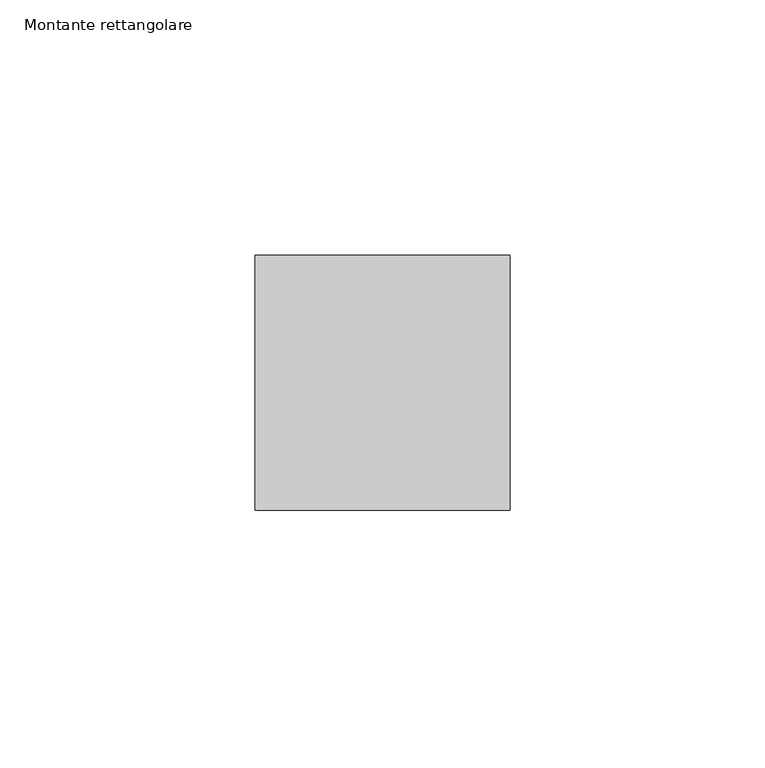
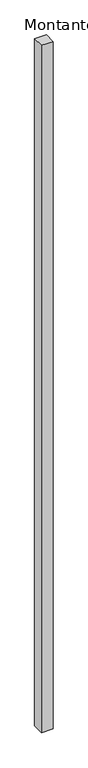
"""IFC4 building model written with IfcOpenShell, lengths in millimetres: member geometry, Montante rettangolare."""

import ifcopenshell
import ifcopenshell.guid

model = None  # the IFC model being written
_history = None  # IfcOwnerHistory: only IFC2X3 demands one
_inside = {}  # id of a spatial element -> (the spatial element, [elements in it])
_under = {}  # id of a project, library or spatial element -> (it, [spatial elements below it])
_declared = {}  # id of a project -> (the project, [libraries it declares])
_typed = {}  # id of a type object -> (the type object, [elements of that type])
_made_of = {}  # id of a material, layer set ... -> (it, [elements and type objects made of it])


def new_model(schema):
    """Start an empty IFC model of exactly this schema.

    Asked for "IFC4X3", IfcOpenShell would pick the latest addendum, in which some entities
    have other attributes; the version numbers below select the first issue.
    IFC2X3 requires an IfcOwnerHistory on every rooted entity: one is made here for all.
    """
    global model, _history
    if schema == "IFC4X3":
        model = ifcopenshell.file(schema_version=(4, 3, 0, 0))
    else:
        model = ifcopenshell.file(schema=schema)
    _inside.clear()
    _under.clear()
    _declared.clear()
    _typed.clear()
    _made_of.clear()
    _history = None
    if model.schema == "IFC2X3":
        org = make("IfcOrganization", Name="unknown")
        user = make(
            "IfcPersonAndOrganization",
            ThePerson=make("IfcPerson", FamilyName="unknown"),
            TheOrganization=org,
        )
        app = make(
            "IfcApplication",
            ApplicationDeveloper=org,
            Version="unknown",
            ApplicationFullName="unknown",
            ApplicationIdentifier="unknown",
        )
        _history = make(
            "IfcOwnerHistory",
            OwningUser=user,
            OwningApplication=app,
            ChangeAction="ADDED",
            CreationDate=0,
        )
    return model


def make(cls, **values):
    """One entity of the class cls with the attributes given. An attribute that is None is left unset."""
    return model.create_entity(
        cls, **{name: value for name, value in values.items() if value is not None}
    )


def rooted(cls, **values):
    """An entity with a GlobalId (a new one), such as an element, a storey or a relation."""
    return make(cls, GlobalId=ifcopenshell.guid.new(), OwnerHistory=_history, **values)


def si_unit(unit_type, name, prefix=None):
    """IfcSIUnit, for example si_unit("LENGTHUNIT", "METRE", prefix="MILLI")."""
    return make("IfcSIUnit", UnitType=unit_type, Prefix=prefix, Name=name)


def assignment(units):
    """IfcUnitAssignment: the units of a project."""
    return None if units is None else make("IfcUnitAssignment", Units=units)


def point(xyz):
    """IfcCartesianPoint."""
    return None if xyz is None else make("IfcCartesianPoint", Coordinates=xyz)


def direction(xyz):
    """IfcDirection."""
    return None if xyz is None else make("IfcDirection", DirectionRatios=xyz)


def frame(location, z_axis=None, x_axis=None):
    """IfcAxis2Placement3D, a coordinate frame: its origin and axes. An axis left out is left unset."""
    return make(
        "IfcAxis2Placement3D",
        Location=point(location),
        Axis=direction(z_axis),
        RefDirection=direction(x_axis),
    )


def origin():
    """The frame at (0, 0, 0) with its axes left unset."""
    return frame((0.0, 0.0, 0.0))


def place(relative_to, where):
    """IfcLocalPlacement: puts the frame where relative to a parent placement (None: the world)."""
    return make(
        "IfcLocalPlacement", PlacementRelTo=relative_to, RelativePlacement=where
    )


def context(
    kind, dimensions, precision=None, world=None, true_north=None, identifier=None
):
    """IfcGeometricRepresentationContext, for example the 3D "Model" context."""
    return make(
        "IfcGeometricRepresentationContext",
        ContextIdentifier=identifier,
        ContextType=kind,
        CoordinateSpaceDimension=dimensions,
        Precision=precision,
        WorldCoordinateSystem=world,
        TrueNorth=true_north,
    )


def project(units=None, contexts=None):
    """IfcProject with its units and contexts."""
    return rooted(
        "IfcProject",
        Name="project",
        RepresentationContexts=contexts,
        UnitsInContext=assignment(units),
    )


def spatial(cls, under=None, at=None, **own):
    """A site, building, storey or space (cls), placed at a placement, below another one or the project."""
    s = rooted(cls, ObjectPlacement=at, **own)
    if under is not None:
        _under.setdefault(under.id(), (under, []))[1].append(s)
    return s


def polyline(points):
    """IfcPolyline through the points."""
    return make("IfcPolyline", Points=[point(p) for p in points])


def outline(outer, holes=None, kind="AREA"):
    """IfcArbitraryClosedProfileDef: a profile drawn as a closed curve; with holes, ...WithVoids."""
    if holes is None:
        return make("IfcArbitraryClosedProfileDef", ProfileType=kind, OuterCurve=outer)
    return make(
        "IfcArbitraryProfileDefWithVoids",
        ProfileType=kind,
        OuterCurve=outer,
        InnerCurves=holes,
    )


def extrude(swept, where, along, depth):
    """IfcExtrudedAreaSolid: the profile swept, set in the frame where, extruded along a direction by depth."""
    return make(
        "IfcExtrudedAreaSolid",
        SweptArea=swept,
        Position=where,
        ExtrudedDirection=direction(along),
        Depth=depth,
    )


def shape(context_of_items, identifier, shape_type, items):
    """IfcShapeRepresentation: the items that make up one representation, for example the "Body"."""
    return make(
        "IfcShapeRepresentation",
        ContextOfItems=context_of_items,
        RepresentationIdentifier=identifier,
        RepresentationType=shape_type,
        Items=items,
    )


def source(mapping_origin, context_of_items, identifier, shape_type, items):
    """IfcRepresentationMap: a shape defined once, which mapped items show again and again."""
    return make(
        "IfcRepresentationMap",
        MappingOrigin=mapping_origin,
        MappedRepresentation=shape(context_of_items, identifier, shape_type, items),
    )


def transform(
    local_origin,
    x_axis=None,
    y_axis=None,
    z_axis=None,
    scale=None,
    scale2=None,
    scale3=None,
    uniform=True,
):
    """IfcCartesianTransformationOperator3D, or its non-uniform kind. x_axis, y_axis, z_axis: its Axis1, 2, 3."""
    if uniform:
        return make(
            "IfcCartesianTransformationOperator3D",
            Axis1=direction(x_axis),
            Axis2=direction(y_axis),
            LocalOrigin=point(local_origin),
            Scale=scale,
            Axis3=direction(z_axis),
        )
    return make(
        "IfcCartesianTransformationOperator3DnonUniform",
        Axis1=direction(x_axis),
        Axis2=direction(y_axis),
        LocalOrigin=point(local_origin),
        Scale=scale,
        Axis3=direction(z_axis),
        Scale2=scale2,
        Scale3=scale3,
    )


def mapped(mapping_source, mapping_target):
    """IfcMappedItem: shows the shape of a source again, moved by a transform."""
    return make(
        "IfcMappedItem", MappingSource=mapping_source, MappingTarget=mapping_target
    )


def made_of(thing, what):
    """Note that an element or type object is made of a material, layer set ...; save() writes the relation."""
    if what is not None:
        _made_of.setdefault(what.id(), (what, []))[1].append(thing)
    return thing


def element(
    cls,
    number,
    at=None,
    inside=None,
    cuts=None,
    type_object=None,
    material=None,
    context=None,
    identifier="Body",
    shape_type=None,
    held_by="IfcProductDefinitionShape",
    body=None,
    shapes=None,
    **own,
):
    """One element of the class cls, such as IfcWall. Its Tag is "e" and its number.

    at: its placement. inside: the storey or other place that contains it. cuts: it is an
    opening in that element (IfcRelVoidsElement). A single representation is given by context,
    identifier, shape_type and body (its items); several are given by shapes. held_by: the class
    of the entity that holds the representations. save() writes the other relations.
    """
    e = rooted(cls, Tag="e%d" % number, ObjectPlacement=at, **own)
    if body is not None:
        shapes = [shape(context, identifier, shape_type, body)]
    if shapes is not None:
        e.Representation = make(held_by, Representations=shapes)
    if inside is not None:
        _inside.setdefault(inside.id(), (inside, []))[1].append(e)
    if cuts is not None:
        rooted(
            "IfcRelVoidsElement", RelatingBuildingElement=cuts, RelatedOpeningElement=e
        )
    if type_object is not None:
        _typed.setdefault(type_object.id(), (type_object, []))[1].append(e)
    return made_of(e, material)


def aggregate(whole, parts):
    """IfcRelAggregates: a whole, such as a stair, and the parts it consists of."""
    return rooted("IfcRelAggregates", RelatingObject=whole, RelatedObjects=parts)


def save(model, path):
    """Write the relations noted so far, then the file.

    IfcRelAggregates (storeys below a building ...), IfcRelContainedInSpatialStructure (elements
    in a storey), IfcRelDefinesByType, IfcRelAssociatesMaterial and IfcRelDeclares: one each for
    every whole, place, type object, material and project.
    """
    for whole, parts in _under.values():
        aggregate(whole, parts)
    for where, things in _inside.values():
        rooted(
            "IfcRelContainedInSpatialStructure",
            RelatedElements=things,
            RelatingStructure=where,
        )
    for kind, things in _typed.values():
        rooted("IfcRelDefinesByType", RelatedObjects=things, RelatingType=kind)
    for what, things in _made_of.values():
        rooted("IfcRelAssociatesMaterial", RelatedObjects=things, RelatingMaterial=what)
    for by, libraries in _declared.values():
        rooted("IfcRelDeclares", RelatingContext=by, RelatedDefinitions=libraries)
    model.write(path)


def montante_rettangolare_9526e8b5(model_context):
    return source(origin(), model_context, "Body", "SweptSolid", [
        extrude(outline(polyline([(0.0, 25.0), (0.0, -25.0), (-50.0, -25.0), (-50.0, 25.0), (0.0, 25.0)])), frame((0.0, 0.0, -3107.624794), z_axis=(0.0, 0.0, 1.0), x_axis=(1.0, 0.0, 0.0)), (0.0, 0.0, 1.0), 3107.624794),
    ])


if __name__ == "__main__":
    model = new_model("IFC4")
    model_context = context("Model", 3, world=origin())
    ifc_project = project(units=[si_unit("LENGTHUNIT", "METRE", prefix="MILLI")], contexts=[model_context])
    site = spatial("IfcSite", under=ifc_project)
    building = spatial("IfcBuilding", under=site)
    placement = place(None, origin())
    montante_rettangolare_shape = montante_rettangolare_9526e8b5(model_context)
    element("IfcMember", 1, ObjectType="Montante rettangolare", at=placement, inside=building, context=model_context, shape_type="MappedRepresentation", body=[
        mapped(montante_rettangolare_shape, transform((0.0, 0.0, 0.0), x_axis=(1.0, 0.0, 0.0), y_axis=(0.0, 1.0, 0.0), z_axis=(0.0, 0.0, 1.0))),
    ])
    save(model, "model.ifc")
